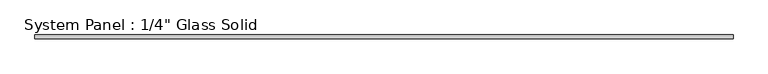
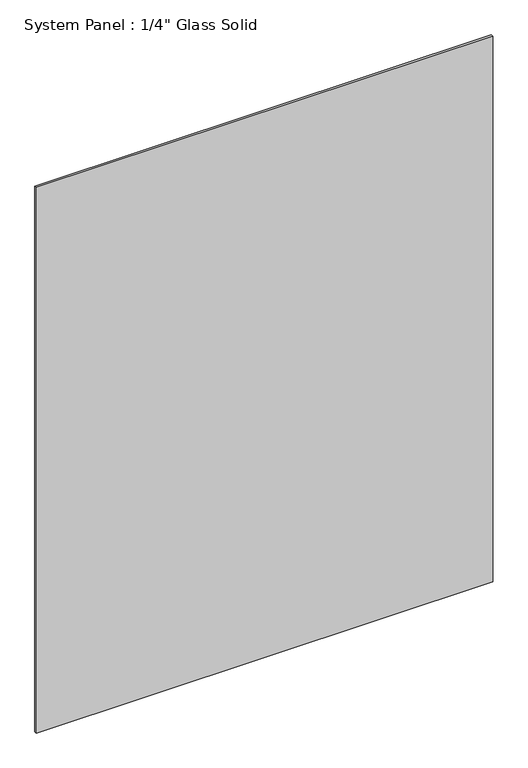
"""IFC4 building model written with IfcOpenShell, lengths in millimetres: plate geometry."""

from ifc_helpers import new_model, si_unit, origin, origin_with_axes, place, context, project, spatial, polyline, outline, extrude, source, transform, mapped, element, save


def plate_5cab9390(model_context):
    return source(origin(), model_context, "Body", "SweptSolid", [
        extrude(outline(polyline([(562.5555865, -3.175), (-562.5555865, -3.175), (-562.5555865, 3.175), (562.5555865, 3.175), (562.5555865, -3.175)])), origin_with_axes(), (0.0, 0.0, 1.0), 1422.2894027),
    ])


if __name__ == "__main__":
    model = new_model("IFC4")
    model_context = context("Model", 3, world=origin())
    ifc_project = project(units=[si_unit("LENGTHUNIT", "METRE", prefix="MILLI")], contexts=[model_context])
    site = spatial("IfcSite", under=ifc_project)
    building = spatial("IfcBuilding", under=site)
    placement = place(None, origin())
    plate_shape = plate_5cab9390(model_context)
    element("IfcPlate", 1, ObjectType="System Panel : 1/4\" Glass Solid", at=placement, inside=building, context=model_context, shape_type="MappedRepresentation", body=[
        mapped(plate_shape, transform((0.0, 0.0, 0.0), x_axis=(1.0, 0.0, 0.0), y_axis=(0.0, 1.0, 0.0), z_axis=(0.0, 0.0, 1.0))),
    ])
    save(model, "model.ifc")
